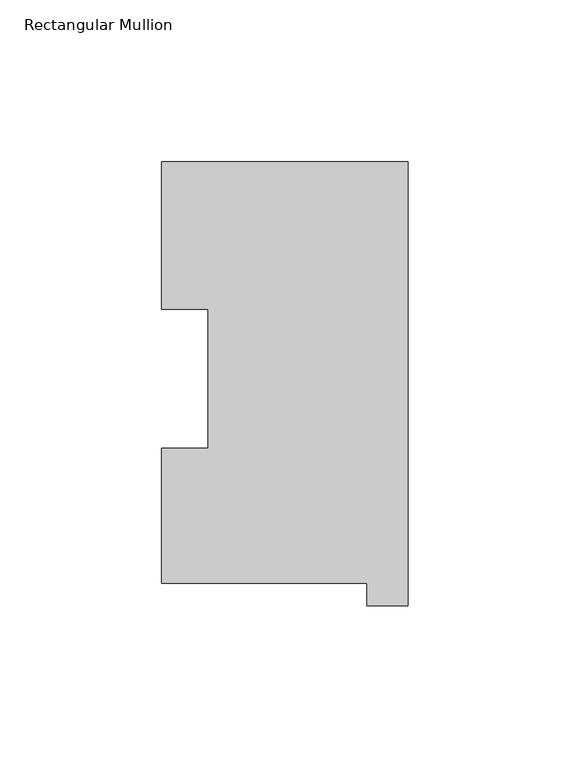
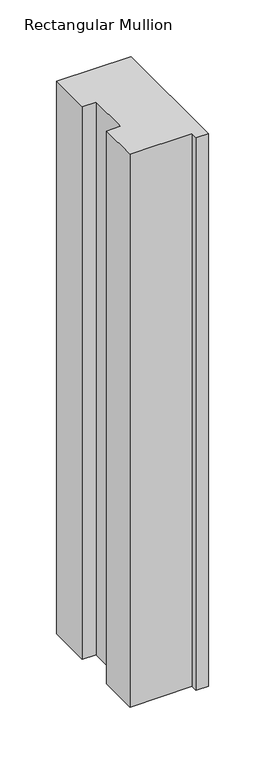
"""IFC4 building model written with IfcOpenShell, lengths in millimetres: member geometry, Rectangular Mullion."""

from ifc_helpers import new_model, si_unit, frame, origin, place, context, project, spatial, polyline, outline, extrude, source, transform, mapped, element, save


def rectangular_mullion_4d6370c8(model_context):
    return source(origin(), model_context, "Body", "SweptSolid", [
        extrude(outline(polyline([(-76.2, 130.2646937), (0.0, 130.2646937), (0.0, -6.9461063), (-12.7, -6.9461063), (-12.7, -0.0373063), (-76.2, -0.0373063), (-76.2, 41.7508474), (-61.9101579, 41.7508474), (-61.9101579, 84.6335938), (-76.2, 84.6335938), (-76.2, 130.2646937)])), frame((0.0, 0.0, -596.9063827), z_axis=(0.0, 0.0, 1.0), x_axis=(1.0, 0.0, 0.0)), (0.0, 0.0, 1.0), 596.9063827),
    ])


if __name__ == "__main__":
    model = new_model("IFC4")
    model_context = context("Model", 3, world=origin())
    ifc_project = project(units=[si_unit("LENGTHUNIT", "METRE", prefix="MILLI")], contexts=[model_context])
    site = spatial("IfcSite", under=ifc_project)
    building = spatial("IfcBuilding", under=site)
    placement = place(None, origin())
    rectangular_mullion_shape = rectangular_mullion_4d6370c8(model_context)
    element("IfcMember", 1, ObjectType="Rectangular Mullion", at=placement, inside=building, context=model_context, shape_type="MappedRepresentation", body=[
        mapped(rectangular_mullion_shape, transform((0.0, 0.0, 0.0), x_axis=(1.0, 0.0, 0.0), y_axis=(0.0, 1.0, 0.0), z_axis=(0.0, 0.0, 1.0))),
    ])
    save(model, "model.ifc")
